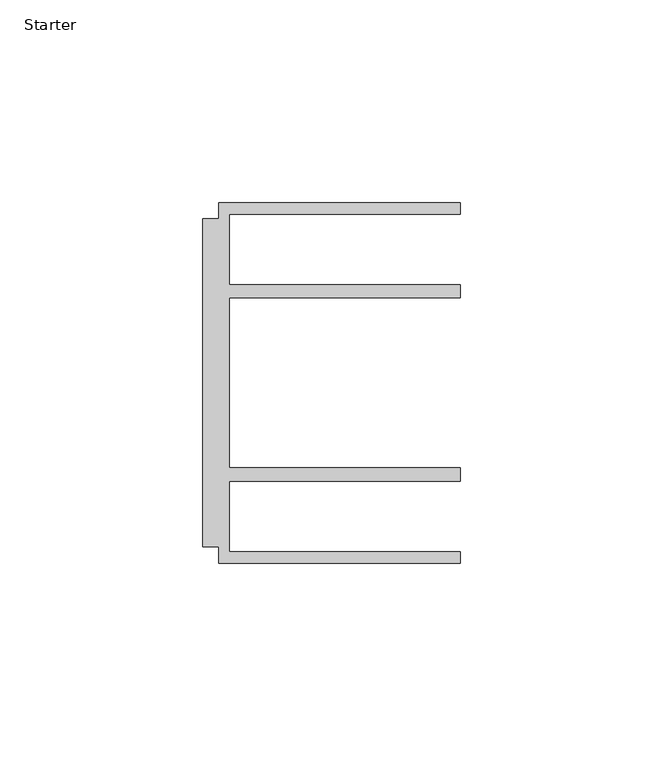
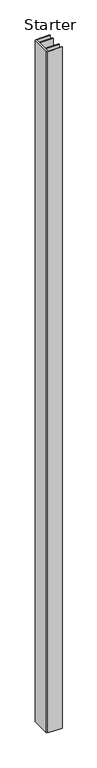
"""IFC4 building model written with IfcOpenShell, lengths in millimetres: furniture geometry, Starter."""

from ifc_helpers import new_model, si_unit, origin, origin_with_axes, place, context, project, spatial, polyline, outline, extrude, source, transform, mapped, element, save


def starter_f47b120e(model_context):
    return source(origin(), model_context, "Body", "SweptSolid", [
        extrude(outline(polyline([(33.9771533, 59.951805), (93.4771531, 59.951805), (93.4771531, 57.1518064), (36.5771534, 57.1518064), (36.5771534, 39.7518058), (93.4771531, 39.7518058), (93.4771531, 36.4518057), (36.5771534, 36.4518057), (36.5771534, -5.4481956), (93.4771531, -5.4481956), (93.4771531, -8.7481957), (36.5771534, -8.7481957), (36.5771534, -26.1481963), (93.4771531, -26.1481963), (93.4771531, -28.948195), (33.9771533, -28.948195), (33.9771533, -24.9481962), (29.9771531, -24.9481962), (29.9771531, 55.9518063), (33.9771533, 55.9518063), (33.9771533, 59.951805)])), origin_with_axes(), (0.0, 0.0, 1.0), 3048.0),
    ])


if __name__ == "__main__":
    model = new_model("IFC4")
    model_context = context("Model", 3, world=origin())
    ifc_project = project(units=[si_unit("LENGTHUNIT", "METRE", prefix="MILLI")], contexts=[model_context])
    site = spatial("IfcSite", under=ifc_project)
    building = spatial("IfcBuilding", under=site)
    placement = place(None, origin())
    starter_shape = starter_f47b120e(model_context)
    element("IfcFurniture", 1, ObjectType="Starter", at=placement, inside=building, context=model_context, shape_type="MappedRepresentation", body=[
        mapped(starter_shape, transform((0.0, 0.0, 0.0), x_axis=(1.0, 0.0, 0.0), y_axis=(0.0, 1.0, 0.0), z_axis=(0.0, 0.0, 1.0))),
    ])
    save(model, "model.ifc")
